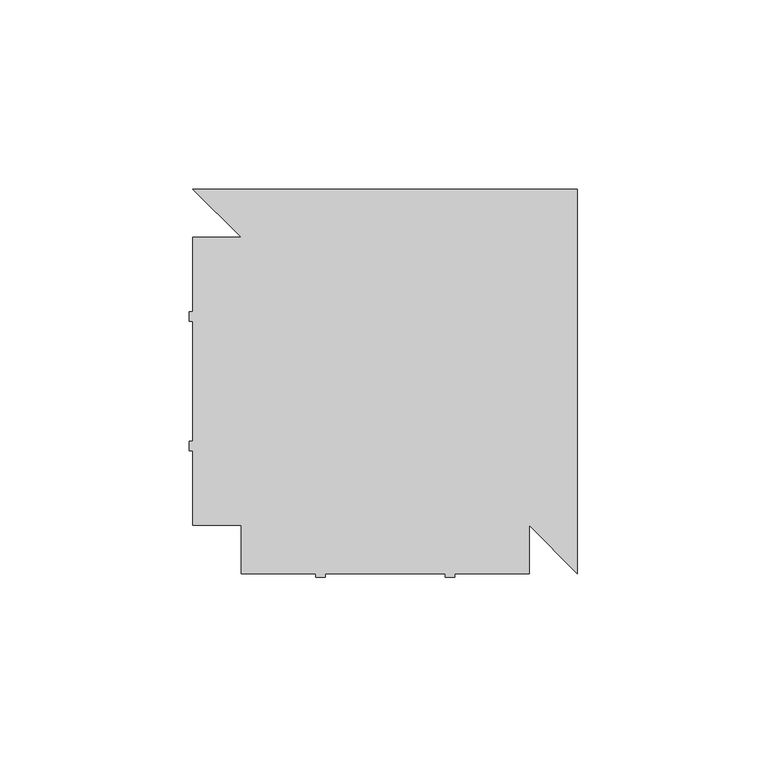
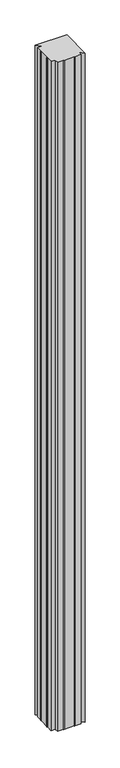
"""IFC4 building model written with IfcOpenShell, lengths in millimetres: furniture geometry."""

from ifc_helpers import new_model, si_unit, frame, origin, place, context, project, spatial, polyline, outline, extrude, source, transform, mapped, element, save


def furniture_3f5d6918(model_context):
    return source(origin(), model_context, "Body", "SweptSolid", [
        extrude(outline(polyline([(12.700003, 88.899997), (0.0, 101.6), (101.6, 101.6), (101.6, 0.0), (88.899997, 12.700003), (88.899997, 0.0), (69.2150021, 0.0), (69.2150021, -1.016), (66.675, -1.016), (66.675, 0.0), (34.9250008, 0.0), (34.9250008, -1.016), (32.3850009, -1.016), (32.3850009, 0.0), (12.7000004, 0.0), (12.7000004, 12.7000004), (0.0, 12.7000004), (0.0, 32.3850009), (-1.016, 32.3850009), (-1.016, 34.9250008), (0.0, 34.9250008), (0.0, 66.675), (-1.016, 66.675), (-1.016, 69.2150021), (0.0, 69.2150021), (0.0, 88.899997), (12.700003, 88.899997)])), frame((0.0, 0.0, 25.4000008), z_axis=(0.0, 0.0, 1.0), x_axis=(1.0, 0.0, 0.0)), (0.0, 0.0, 1.0), 2260.5999992),
    ])


if __name__ == "__main__":
    model = new_model("IFC4")
    model_context = context("Model", 3, world=origin())
    ifc_project = project(units=[si_unit("LENGTHUNIT", "METRE", prefix="MILLI")], contexts=[model_context])
    site = spatial("IfcSite", under=ifc_project)
    building = spatial("IfcBuilding", under=site)
    placement = place(None, origin())
    furniture_shape = furniture_3f5d6918(model_context)
    element("IfcFurniture", 1, at=placement, inside=building, context=model_context, shape_type="MappedRepresentation", body=[
        mapped(furniture_shape, transform((0.0, 0.0, 0.0), x_axis=(1.0, 0.0, 0.0), y_axis=(0.0, 1.0, 0.0), z_axis=(0.0, 0.0, 1.0))),
    ])
    save(model, "model.ifc")
